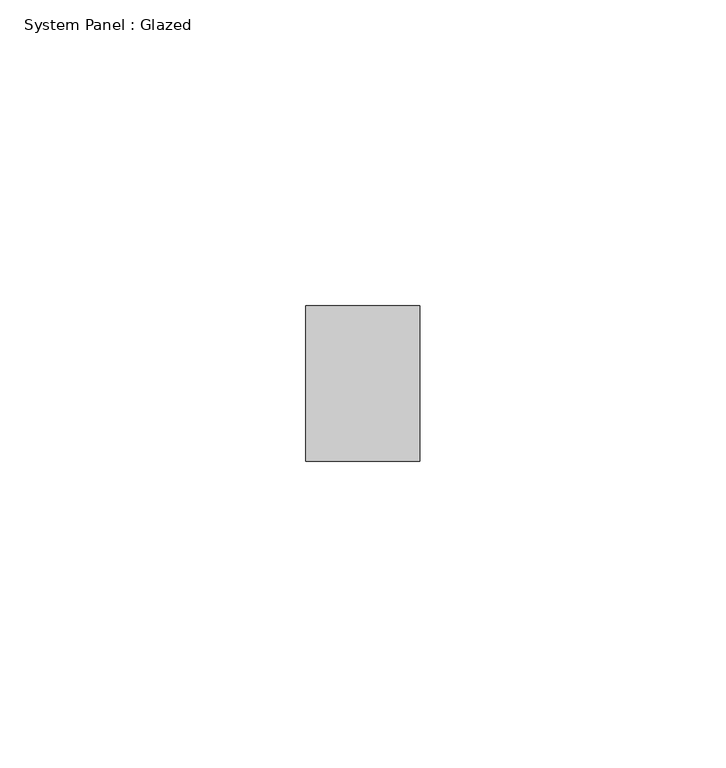
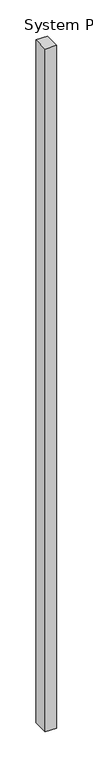
"""IFC4 building model written with IfcOpenShell, lengths in millimetres: plate geometry, System Panel : Glazed."""

from ifc_helpers import new_model, si_unit, origin, origin_with_axes, place, context, project, spatial, polyline, outline, extrude, source, transform, mapped, element, save


def system_panel_glazed_46af72c7(model_context):
    return source(origin(), model_context, "Body", "SweptSolid", [
        extrude(outline(polyline([(9.3362206, -12.7), (-9.3362206, -12.7), (-9.3362206, 12.7), (9.3362206, 12.7), (9.3362206, -12.7)])), origin_with_axes(), (0.0, 0.0, 1.0), 1154.90625),
    ])


if __name__ == "__main__":
    model = new_model("IFC4")
    model_context = context("Model", 3, world=origin())
    ifc_project = project(units=[si_unit("LENGTHUNIT", "METRE", prefix="MILLI")], contexts=[model_context])
    site = spatial("IfcSite", under=ifc_project)
    building = spatial("IfcBuilding", under=site)
    placement = place(None, origin())
    system_panel_glazed_shape = system_panel_glazed_46af72c7(model_context)
    element("IfcPlate", 1, ObjectType="System Panel : Glazed", at=placement, inside=building, context=model_context, shape_type="MappedRepresentation", body=[
        mapped(system_panel_glazed_shape, transform((0.0, 0.0, 0.0), x_axis=(1.0, 0.0, 0.0), y_axis=(0.0, 1.0, 0.0), z_axis=(0.0, 0.0, 1.0))),
    ])
    save(model, "model.ifc")
